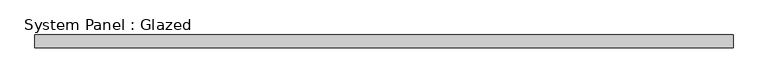
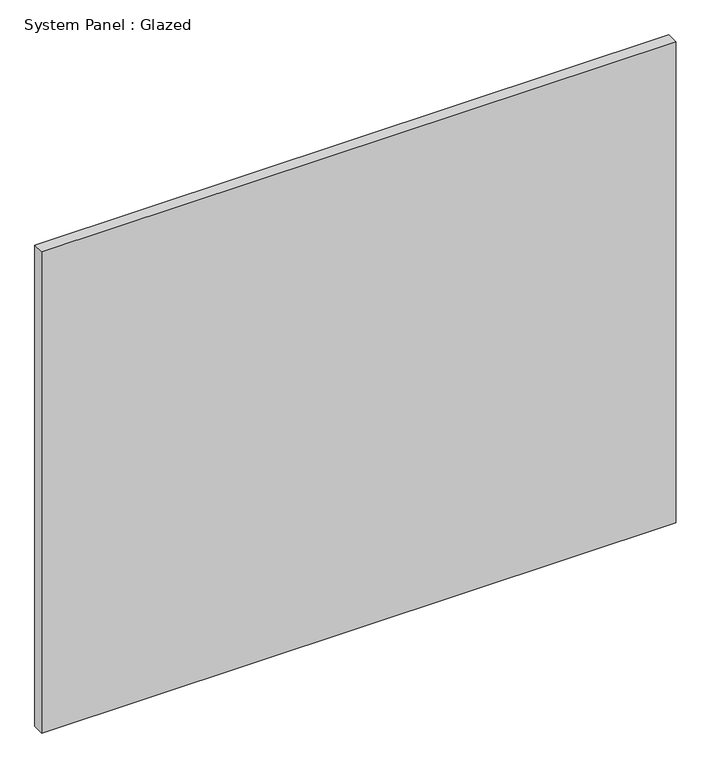
"""IFC4 building model written with IfcOpenShell, lengths in millimetres: plate geometry, System Panel : Glazed."""

from ifc_helpers import new_model, si_unit, origin, origin_with_axes, place, context, project, spatial, polyline, outline, extrude, source, transform, mapped, element, save


def system_panel_glazed_9e83fceb(model_context):
    return source(origin(), model_context, "Body", "SweptSolid", [
        extrude(outline(polyline([(700.6166666, 19.05), (-700.6166666, 19.05), (-700.6166666, 44.45), (700.6166666, 44.45), (700.6166666, 19.05)])), origin_with_axes(), (0.0, 0.0, 1.0), 1123.95),
    ])


if __name__ == "__main__":
    model = new_model("IFC4")
    model_context = context("Model", 3, world=origin())
    ifc_project = project(units=[si_unit("LENGTHUNIT", "METRE", prefix="MILLI")], contexts=[model_context])
    site = spatial("IfcSite", under=ifc_project)
    building = spatial("IfcBuilding", under=site)
    placement = place(None, origin())
    system_panel_glazed_shape = system_panel_glazed_9e83fceb(model_context)
    element("IfcPlate", 1, ObjectType="System Panel : Glazed", at=placement, inside=building, context=model_context, shape_type="MappedRepresentation", body=[
        mapped(system_panel_glazed_shape, transform((0.0, 0.0, 0.0), x_axis=(1.0, 0.0, 0.0), y_axis=(0.0, 1.0, 0.0), z_axis=(0.0, 0.0, 1.0))),
    ])
    save(model, "model.ifc")
